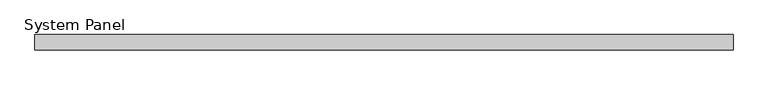
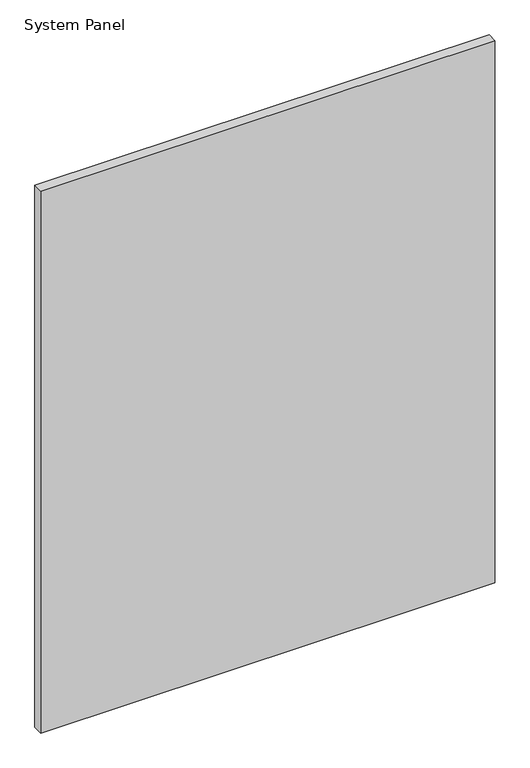
"""IFC4 building model written with IfcOpenShell, lengths in millimetres: plate geometry, System Panel."""

from ifc_helpers import new_model, si_unit, origin, origin_with_axes, place, context, project, spatial, polyline, outline, extrude, source, transform, mapped, element, save


def system_panel_fbd34e7d(model_context):
    return source(origin(), model_context, "Body", "SweptSolid", [
        extrude(outline(polyline([(582.8265487, -22.225), (-582.8265487, -22.225), (-582.8265487, 3.175), (582.8265487, 3.175), (582.8265487, -22.225)])), origin_with_axes(), (0.0, 0.0, 1.0), 1470.4548678),
    ])


if __name__ == "__main__":
    model = new_model("IFC4")
    model_context = context("Model", 3, world=origin())
    ifc_project = project(units=[si_unit("LENGTHUNIT", "METRE", prefix="MILLI")], contexts=[model_context])
    site = spatial("IfcSite", under=ifc_project)
    building = spatial("IfcBuilding", under=site)
    placement = place(None, origin())
    system_panel_shape = system_panel_fbd34e7d(model_context)
    element("IfcPlate", 1, ObjectType="System Panel", at=placement, inside=building, context=model_context, shape_type="MappedRepresentation", body=[
        mapped(system_panel_shape, transform((0.0, 0.0, 0.0), x_axis=(1.0, 0.0, 0.0), y_axis=(0.0, 1.0, 0.0), z_axis=(0.0, 0.0, 1.0))),
    ])
    save(model, "model.ifc")
